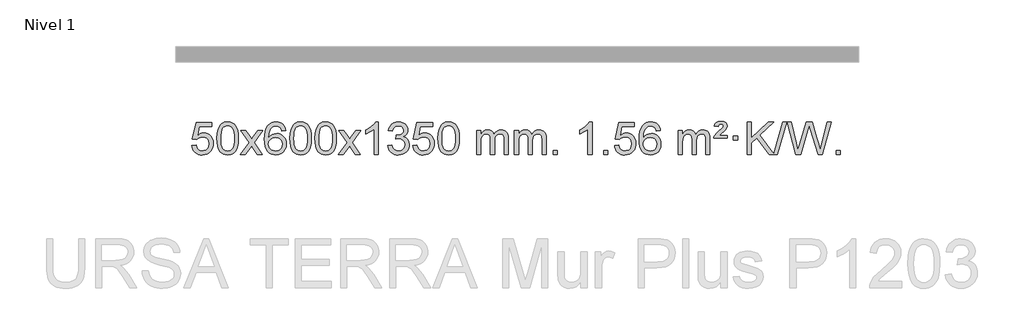
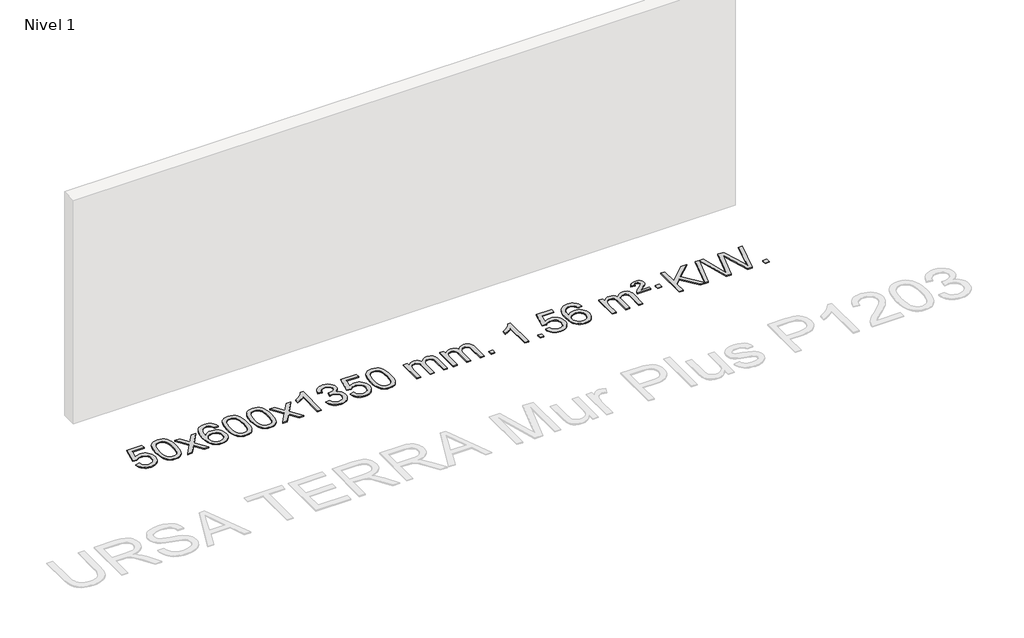
# One storey, part 6 of 7: 1 proxy.
"""IFC4 building model written with IfcOpenShell, lengths in millimetres."""

from ifc_helpers import new_model, si_unit, origin, origin_with_axes, place, context, project, spatial, polyline, outline, extrude, element, save

model = new_model("IFC4")

# Units and contexts
model_context = context("Model", 3, world=origin())
ifc_project = project(units=[si_unit("LENGTHUNIT", "METRE", prefix="MILLI")], contexts=[model_context])

# Site, building, storey
site = spatial("IfcSite", under=ifc_project)
building = spatial("IfcBuilding", under=site)
storey = spatial("IfcBuildingStorey", under=building, Name="Nivel 1", Elevation=0.0)

# Proxy
placement = place(None, origin())
element("IfcBuildingElementProxy", 1, Name="Texto de modelo 1", ObjectType="Texto de modelo 1", at=placement, inside=storey, context=model_context, shape_type="SweptSolid", body=[
    extrude(outline(polyline([(-13279.9741058, -12677.8820273), (-13229.7459508, -12671.603508), (-13220.5243754, -12701.7575688), (-13204.4356695, -12723.3522419), (-13181.5534094, -12736.3384764), (-13151.9511715, -12740.6672212), (-13132.8213078, -12739.1619707), (-13115.9477869, -12734.6462192), (-13101.330609, -12727.1199667), (-13088.969774, -12716.5832132), (-13079.1411933, -12703.5571249), (-13072.1207786, -12688.5628679), (-13066.5044468, -12652.6698479), (-13071.7651593, -12618.8737553), (-13078.34105, -12604.9555532), (-13087.5472969, -12593.0239138), (-13099.4145569, -12583.4528505), (-13113.9734869, -12576.6163768), (-13151.1663566, -12571.1471978), (-13175.5324074, -12573.3299643), (-13195.2631451, -12579.8782638), (-13211.0207572, -12589.9091796), (-13223.4674314, -12602.5397947), (-13273.6955865, -12596.2612753), (-13229.7459508, -12389.0701357), (-13035.1118499, -12389.0701357), (-13035.1118499, -12439.2982907), (-13189.1317785, -12439.2982907), (-13210.616087, -12549.9571949), (-13192.8903062, -12537.2530033), (-13174.7353298, -12528.1785808), (-13156.1511576, -12522.7339272), (-13137.1377899, -12520.9190427), (-13112.6767029, -12523.1692543), (-13090.20831, -12529.9198889), (-13069.7326113, -12541.1709466), (-13051.2496067, -12556.9224273), (-13035.9487814, -12576.2117066), (-13025.0196205, -12598.0761598), (-13018.4621239, -12622.5157871), (-13016.2762917, -12649.5305882), (-13018.2444604, -12675.552108), (-13024.1489664, -12699.7587433), (-13033.9898098, -12722.1504941), (-13047.7669905, -12742.7273604), (-13068.6381624, -12763.8008673), (-13092.9919504, -12778.8533723), (-13120.8283547, -12787.8848753), (-13152.1473753, -12790.8953763), (-13178.0677275, -12788.9609301), (-13201.4803508, -12783.1575916), (-13222.3852452, -12773.4853608), (-13240.7824106, -12759.9442377), (-13256.0893673, -12743.2086726), (-13267.7236354, -12723.9531159), (-13275.6852149, -12702.1775674), (-13279.9741058, -12677.8820273)])), origin_with_axes(), (0.0, 0.0, 1.0), 10.0),
    extrude(outline(polyline([(-12972.326656, -12586.9415981), (-12968.6355733, -12522.6235626), (-12957.5623253, -12471.3285498), (-12939.2172764, -12432.2717446), (-12927.3592135, -12417.0383643), (-12913.7107915, -12404.6683323), (-12898.2260251, -12395.097269), (-12880.8589293, -12388.2607953), (-12840.4777489, -12382.7916163), (-12809.5266104, -12386.0289778), (-12781.8128334, -12395.7410625), (-12758.6362678, -12411.5477256), (-12741.296763, -12433.0688223), (-12728.200164, -12460.1204117), (-12717.7523154, -12492.5185527), (-12710.9097102, -12533.6600225), (-12708.6288419, -12586.9415981), (-12712.2831364, -12650.8917516), (-12723.2460198, -12702.0641372), (-12741.480704, -12741.1577305), (-12753.3111759, -12756.437096), (-12766.9504008, -12768.8715075), (-12782.4535613, -12778.5069501), (-12799.8758394, -12785.3894091), (-12840.4777489, -12790.8953763), (-12868.142475, -12788.5041433), (-12892.6679413, -12781.3304444), (-12914.054148, -12769.3742795), (-12932.3010949, -12752.6356488), (-12949.8122779, -12722.3773547), (-12962.3202657, -12684.6755815), (-12969.8250584, -12639.5303293), (-12972.326656, -12586.9415981)]), holes=[polyline([(-12922.0985009, -12586.8434963), (-12920.626973, -12630.5080234), (-12916.212389, -12665.8522861), (-12908.8547491, -12692.8762843), (-12898.5540532, -12711.5800181), (-12886.0951163, -12724.3056694), (-12872.2627533, -12733.3954204), (-12857.0569642, -12738.849271), (-12840.4777489, -12740.6672212), (-12823.8985337, -12738.8431396), (-12808.6927446, -12733.3708949), (-12794.8603815, -12724.2504871), (-12782.4014446, -12711.4819162), (-12772.1007488, -12692.7475256), (-12764.7431089, -12665.7296588), (-12760.3285249, -12630.4283156), (-12758.8569969, -12586.8434963), (-12760.279474, -12544.3347317), (-12764.5469051, -12509.6128027), (-12771.6592904, -12482.6777093), (-12781.6166297, -12463.5294515), (-12793.8671002, -12450.1814664), (-12807.8588787, -12440.6471914), (-12823.5919654, -12434.9266264), (-12841.0663601, -12433.0197713), (-12857.5597363, -12434.6997658), (-12872.508008, -12439.7397491), (-12885.9111753, -12448.1397213), (-12897.7692383, -12459.8996825), (-12908.4132907, -12480.7463289), (-12916.0161853, -12508.8525133), (-12920.577922, -12544.2182358), (-12922.0985009, -12586.8434963)])]), origin_with_axes(), (0.0, 0.0, 1.0), 10.0),
    extrude(outline(polyline([(-12683.5147643, -12784.6168569), (-12576.1913236, -12636.2868364), (-12677.236245, -12489.5264458), (-12616.8054959, -12489.5264458), (-12568.0488688, -12560.1597889), (-12545.289236, -12593.5144231), (-12525.5707611, -12566.2421045), (-12470.0451053, -12489.5264458), (-12409.6143562, -12489.5264458), (-12515.7605745, -12636.2868364), (-12413.5384308, -12784.6168569), (-12473.9691799, -12784.6168569), (-12535.4790495, -12695.4422612), (-12546.760764, -12679.1573516), (-12623.0840153, -12784.6168569), (-12683.5147643, -12784.6168569)])), origin_with_axes(), (0.0, 0.0, 1.0), 10.0),
    extrude(outline(polyline([(-12124.7265391, -12489.5264458), (-12174.9546942, -12495.8049652), (-12183.0480981, -12470.9116168), (-12193.9864561, -12453.9154687), (-12216.7706143, -12438.2436957), (-12244.312713, -12433.0197713), (-12267.660957, -12436.0609292), (-12289.6357748, -12445.1844027), (-12308.5081212, -12464.4001055), (-12323.9223768, -12490.850821), (-12334.3334372, -12528.2644199), (-12338.1961982, -12580.3687731), (-12318.0485276, -12556.8611137), (-12293.903206, -12540.2941611), (-12267.109134, -12530.4717119), (-12239.0152123, -12527.1975621), (-12214.8821534, -12529.4355109), (-12192.61303, -12536.1493573), (-12172.207842, -12547.3391013), (-12153.6665894, -12563.004743), (-12138.2584652, -12582.2143145), (-12127.2526622, -12604.0358482), (-12120.6491803, -12628.469344), (-12118.4480197, -12655.514802), (-12122.5928236, -12691.4813984), (-12135.027235, -12724.8237699), (-12154.7211845, -12753.1016326), (-12180.6446024, -12773.8747026), (-12211.6202664, -12786.6402078), (-12246.4709541, -12790.8953763), (-12276.4134828, -12788.0749476), (-12303.4558751, -12779.6136617), (-12327.5981311, -12765.5115186), (-12348.8402506, -12745.7685182), (-12366.1582955, -12719.5507947), (-12378.5283276, -12686.0244822), (-12385.9503469, -12645.1895807), (-12388.4243533, -12597.0460903), (-12385.677501, -12543.0716702), (-12377.4369443, -12497.006713), (-12363.7026832, -12458.8512188), (-12344.4747176, -12428.6051874), (-12323.6342026, -12408.56175), (-12299.4704868, -12394.2450091), (-12271.9835704, -12385.6549645), (-12241.1734533, -12382.7916163), (-12218.0398072, -12384.5635812), (-12197.1011903, -12389.879476), (-12178.3576027, -12398.7393008), (-12161.8090442, -12411.1430554), (-12147.9031048, -12426.6738069), (-12137.0873742, -12444.9146225), (-12129.3618523, -12465.8655021), (-12124.7265391, -12489.5264458)]), holes=[polyline([(-12338.1961982, -12654.7299871), (-12335.2899304, -12676.9868478), (-12326.5711271, -12698.2381644), (-12313.0330697, -12716.5096368), (-12295.6690396, -12729.8269651), (-12274.7120286, -12737.9571571), (-12250.3950287, -12740.6672212), (-12217.2488609, -12735.0508894), (-12203.3337244, -12728.0304746), (-12191.1905529, -12718.201894), (-12181.3405125, -12705.9636863), (-12174.3047693, -12691.7143904), (-12168.6761748, -12657.1825337), (-12174.2311929, -12624.036366), (-12181.1749656, -12610.4155351), (-12190.8962473, -12598.7628729), (-12203.0762071, -12589.4278673), (-12217.3960137, -12582.7600061), (-12252.4551679, -12577.4257172), (-12285.5522847, -12582.7600061), (-12313.2292735, -12598.7628729), (-12324.152303, -12610.2622509), (-12331.954467, -12623.4232293), (-12336.6357654, -12638.245808), (-12338.1961982, -12654.7299871)])]), origin_with_axes(), (0.0, 0.0, 1.0), 10.0),
    extrude(outline(polyline([(-12074.4983841, -12586.9415981), (-12070.8073014, -12522.6235626), (-12059.7340533, -12471.3285498), (-12041.3890045, -12432.2717446), (-12029.5309415, -12417.0383643), (-12015.8825195, -12404.6683323), (-12000.3977532, -12395.097269), (-11983.0306573, -12388.2607953), (-11942.649477, -12382.7916163), (-11911.6983385, -12386.0289778), (-11883.9845615, -12395.7410625), (-11860.8079958, -12411.5477256), (-11843.4684911, -12433.0688223), (-11830.3718921, -12460.1204117), (-11819.9240434, -12492.5185527), (-11813.0814383, -12533.6600225), (-11810.8005699, -12586.9415981), (-11814.4548644, -12650.8917516), (-11825.4177479, -12702.0641372), (-11843.6524321, -12741.1577305), (-11855.4829039, -12756.437096), (-11869.1221289, -12768.8715075), (-11884.6252893, -12778.5069501), (-11902.0475674, -12785.3894091), (-11942.649477, -12790.8953763), (-11970.314203, -12788.5041433), (-11994.8396694, -12781.3304444), (-12016.225876, -12769.3742795), (-12034.472823, -12752.6356488), (-12051.9840059, -12722.3773547), (-12064.4919938, -12684.6755815), (-12071.9967865, -12639.5303293), (-12074.4983841, -12586.9415981)]), holes=[polyline([(-12024.270229, -12586.8434963), (-12022.798701, -12630.5080234), (-12018.3841171, -12665.8522861), (-12011.0264772, -12692.8762843), (-12000.7257813, -12711.5800181), (-11988.2668444, -12724.3056694), (-11974.4344814, -12733.3954204), (-11959.2286922, -12738.849271), (-11942.649477, -12740.6672212), (-11926.0702617, -12738.8431396), (-11910.8644726, -12733.3708949), (-11897.0321096, -12724.2504871), (-11884.5731727, -12711.4819162), (-11874.2724768, -12692.7475256), (-11866.9148369, -12665.7296588), (-11862.500253, -12630.4283156), (-11861.028725, -12586.8434963), (-11862.451202, -12544.3347317), (-11866.7186332, -12509.6128027), (-11873.8310184, -12482.6777093), (-11883.7883578, -12463.5294515), (-11896.0388282, -12450.1814664), (-11910.0306067, -12440.6471914), (-11925.7636934, -12434.9266264), (-11943.2380882, -12433.0197713), (-11959.7314643, -12434.6997658), (-11974.679736, -12439.7397491), (-11988.0829034, -12448.1397213), (-11999.9409664, -12459.8996825), (-12010.5850188, -12480.7463289), (-12018.1879133, -12508.8525133), (-12022.7496501, -12544.2182358), (-12024.270229, -12586.8434963)])]), origin_with_axes(), (0.0, 0.0, 1.0), 10.0),
    extrude(outline(polyline([(-11766.8509342, -12586.9415981), (-11763.1598515, -12522.6235626), (-11752.0866035, -12471.3285498), (-11733.7415547, -12432.2717446), (-11721.8834917, -12417.0383643), (-11708.2350697, -12404.6683323), (-11692.7503033, -12395.097269), (-11675.3832075, -12388.2607953), (-11635.0020271, -12382.7916163), (-11604.0508886, -12386.0289778), (-11576.3371117, -12395.7410625), (-11553.160546, -12411.5477256), (-11535.8210412, -12433.0688223), (-11522.7244422, -12460.1204117), (-11512.2765936, -12492.5185527), (-11505.4339884, -12533.6600225), (-11503.1531201, -12586.9415981), (-11506.8074146, -12650.8917516), (-11517.770298, -12702.0641372), (-11536.0049822, -12741.1577305), (-11547.8354541, -12756.437096), (-11561.474679, -12768.8715075), (-11576.9778395, -12778.5069501), (-11594.4001176, -12785.3894091), (-11635.0020271, -12790.8953763), (-11662.6667532, -12788.5041433), (-11687.1922195, -12781.3304444), (-11708.5784262, -12769.3742795), (-11726.8253731, -12752.6356488), (-11744.3365561, -12722.3773547), (-11756.844544, -12684.6755815), (-11764.3493367, -12639.5303293), (-11766.8509342, -12586.9415981)]), holes=[polyline([(-11716.6227791, -12586.8434963), (-11715.1512512, -12630.5080234), (-11710.7366672, -12665.8522861), (-11703.3790273, -12692.8762843), (-11693.0783315, -12711.5800181), (-11680.6193946, -12724.3056694), (-11666.7870315, -12733.3954204), (-11651.5812424, -12738.849271), (-11635.0020271, -12740.6672212), (-11618.4228119, -12738.8431396), (-11603.2170228, -12733.3708949), (-11589.3846597, -12724.2504871), (-11576.9257228, -12711.4819162), (-11566.625027, -12692.7475256), (-11559.2673871, -12665.7296588), (-11554.8528031, -12630.4283156), (-11553.3812752, -12586.8434963), (-11554.8037522, -12544.3347317), (-11559.0711833, -12509.6128027), (-11566.1835686, -12482.6777093), (-11576.1409079, -12463.5294515), (-11588.3913784, -12450.1814664), (-11602.3831569, -12440.6471914), (-11618.1162436, -12434.9266264), (-11635.5906383, -12433.0197713), (-11652.0840145, -12434.6997658), (-11667.0322862, -12439.7397491), (-11680.4354536, -12448.1397213), (-11692.2935165, -12459.8996825), (-11702.9375689, -12480.7463289), (-11710.5404635, -12508.8525133), (-11715.1022002, -12544.2182358), (-11716.6227791, -12586.8434963)])]), origin_with_axes(), (0.0, 0.0, 1.0), 10.0),
    extrude(outline(polyline([(-11478.0390425, -12784.6168569), (-11370.7156018, -12636.2868364), (-11471.7605232, -12489.5264458), (-11411.3297741, -12489.5264458), (-11362.573147, -12560.1597889), (-11339.8135142, -12593.5144231), (-11320.0950393, -12566.2421045), (-11264.5693835, -12489.5264458), (-11204.1386344, -12489.5264458), (-11310.2848527, -12636.2868364), (-11208.062709, -12784.6168569), (-11268.4934581, -12784.6168569), (-11330.0033277, -12695.4422612), (-11341.2850422, -12679.1573516), (-11417.6082935, -12784.6168569), (-11478.0390425, -12784.6168569)])), origin_with_axes(), (0.0, 0.0, 1.0), 10.0),
    extrude(outline(polyline([(-10988.3145306, -12784.6168569), (-11038.5426856, -12784.6168569), (-11038.5426856, -12471.4757026), (-11059.5119594, -12488.4350626), (-11086.1220903, -12505.3698971), (-11138.9989958, -12530.7292293), (-11138.9989958, -12483.2479264), (-11099.5497832, -12461.7881434), (-11065.3735458, -12436.2571329), (-11038.432321, -12409.1074417), (-11020.6881461, -12382.7916163), (-10988.3145306, -12382.7916163), (-10988.3145306, -12784.6168569)])), origin_with_axes(), (0.0, 0.0, 1.0), 10.0),
    extrude(outline(polyline([(-10869.0226623, -12677.8820273), (-10818.7945072, -12671.603508), (-10807.5495809, -12703.1677831), (-10791.0807302, -12724.4804134), (-10768.5786148, -12736.6205192), (-10739.2338944, -12740.6672212), (-10704.8001396, -12735.0999403), (-10690.5263182, -12728.1408392), (-10678.2145341, -12718.3980977), (-10661.2183859, -12693.4802239), (-10655.5530032, -12663.2648494), (-10661.169335, -12634.5823165), (-10678.0183304, -12611.3199117), (-10703.5248154, -12595.9056561), (-10735.113616, -12590.7675709), (-10770.3321857, -12596.2612753), (-10764.7403794, -12546.0331203), (-10756.6960264, -12546.6217315), (-10726.6032792, -12543.0164879), (-10699.6988426, -12532.2007572), (-10688.6255946, -12524.0215142), (-10680.7161317, -12513.9047594), (-10675.9704539, -12501.8504926), (-10674.3885613, -12487.8587141), (-10678.9748235, -12466.1659391), (-10692.7336102, -12448.568917), (-10713.7274094, -12436.9070578), (-10740.0187093, -12433.0197713), (-10766.3590601, -12436.943846), (-10787.8924196, -12448.7160698), (-10803.6132435, -12468.3364429), (-10812.5159878, -12495.8049652), (-10862.7441429, -12489.5264458), (-10856.7905859, -12465.5466711), (-10847.9552867, -12444.4241132), (-10836.2382451, -12426.1587721), (-10821.6394613, -12410.7506479), (-10804.6187876, -12398.5185716), (-10785.6360767, -12389.7813742), (-10764.6913284, -12384.5390557), (-10741.7845429, -12382.7916163), (-10710.2080049, -12386.2374443), (-10681.206641, -12396.5749284), (-10656.754751, -12412.8843635), (-10638.8266351, -12434.2460447), (-10627.8269635, -12458.8573501), (-10624.1604063, -12484.9156581), (-10627.6430225, -12509.1958698), (-10638.0908712, -12531.2197386), (-10655.3567995, -12549.9817203), (-10679.2936546, -12564.476271), (-10647.8520068, -12577.1804625), (-10624.5528137, -12598.8119238), (-10610.1318395, -12628.1934325), (-10605.3248481, -12664.1477662), (-10607.7283438, -12689.6297257), (-10614.9388309, -12713.100597), (-10626.9563094, -12734.5603801), (-10643.7807793, -12754.0090749), (-10664.2779378, -12770.1468317), (-10687.3134821, -12781.6738009), (-10712.8874121, -12788.5899824), (-10740.9997279, -12790.8953763), (-10766.4081111, -12788.9272076), (-10789.5601513, -12783.0227016), (-10810.4558486, -12773.1818582), (-10829.095203, -12759.4046775), (-10844.7240565, -12742.5004998), (-10856.5882508, -12723.2786655), (-10864.6877861, -12701.7391747), (-10869.0226623, -12677.8820273)])), origin_with_axes(), (0.0, 0.0, 1.0), 10.0),
    extrude(outline(polyline([(-10561.3752124, -12677.8820273), (-10511.1470573, -12671.603508), (-10501.925482, -12701.7575688), (-10485.8367761, -12723.3522419), (-10462.954516, -12736.3384764), (-10433.3522781, -12740.6672212), (-10414.2224144, -12739.1619707), (-10397.3488935, -12734.6462192), (-10382.7317156, -12727.1199667), (-10370.3708805, -12716.5832132), (-10360.5422999, -12703.5571249), (-10353.5218851, -12688.5628679), (-10347.9055534, -12652.6698479), (-10353.1662659, -12618.8737553), (-10359.7421566, -12604.9555532), (-10368.9484035, -12593.0239138), (-10380.8156635, -12583.4528505), (-10395.3745935, -12576.6163768), (-10432.5674632, -12571.1471978), (-10456.933514, -12573.3299643), (-10476.6642517, -12579.8782638), (-10492.4218638, -12589.9091796), (-10504.868538, -12602.5397947), (-10555.096693, -12596.2612753), (-10511.1470573, -12389.0701357), (-10316.5129564, -12389.0701357), (-10316.5129564, -12439.2982907), (-10470.5328851, -12439.2982907), (-10492.0171936, -12549.9571949), (-10474.2914128, -12537.2530033), (-10456.1364363, -12528.1785808), (-10437.5522642, -12522.7339272), (-10418.5388964, -12520.9190427), (-10394.0778094, -12523.1692543), (-10371.6094166, -12529.9198889), (-10351.1337179, -12541.1709466), (-10332.6507133, -12556.9224273), (-10317.349888, -12576.2117066), (-10306.420727, -12598.0761598), (-10299.8632305, -12622.5157871), (-10297.6773983, -12649.5305882), (-10299.645567, -12675.552108), (-10305.550073, -12699.7587433), (-10315.3909163, -12722.1504941), (-10329.1680971, -12742.7273604), (-10350.0392689, -12763.8008673), (-10374.393057, -12778.8533723), (-10402.2294613, -12787.8848753), (-10433.5484818, -12790.8953763), (-10459.4688341, -12788.9609301), (-10482.8814574, -12783.1575916), (-10503.7863518, -12773.4853608), (-10522.1835172, -12759.9442377), (-10537.4904739, -12743.2086726), (-10549.124742, -12723.9531159), (-10557.0863215, -12702.1775674), (-10561.3752124, -12677.8820273)])), origin_with_axes(), (0.0, 0.0, 1.0), 10.0),
    extrude(outline(polyline([(-10253.7277626, -12586.9415981), (-10250.0366799, -12522.6235626), (-10238.9634319, -12471.3285498), (-10220.618383, -12432.2717446), (-10208.76032, -12417.0383643), (-10195.111898, -12404.6683323), (-10179.6271317, -12395.097269), (-10162.2600359, -12388.2607953), (-10121.8788555, -12382.7916163), (-10090.927717, -12386.0289778), (-10063.21394, -12395.7410625), (-10040.0373743, -12411.5477256), (-10022.6978696, -12433.0688223), (-10009.6012706, -12460.1204117), (-9999.1534219, -12492.5185527), (-9992.3108168, -12533.6600225), (-9990.0299484, -12586.9415981), (-9993.6842429, -12650.8917516), (-10004.6471264, -12702.0641372), (-10022.8818106, -12741.1577305), (-10034.7122824, -12756.437096), (-10048.3515074, -12768.8715075), (-10063.8546678, -12778.5069501), (-10081.276946, -12785.3894091), (-10121.8788555, -12790.8953763), (-10149.5435816, -12788.5041433), (-10174.0690479, -12781.3304444), (-10195.4552546, -12769.3742795), (-10213.7022015, -12752.6356488), (-10231.2133845, -12722.3773547), (-10243.7213723, -12684.6755815), (-10251.226165, -12639.5303293), (-10253.7277626, -12586.9415981)]), holes=[polyline([(-10203.4996075, -12586.8434963), (-10202.0280795, -12630.5080234), (-10197.6134956, -12665.8522861), (-10190.2558557, -12692.8762843), (-10179.9551598, -12711.5800181), (-10167.4962229, -12724.3056694), (-10153.6638599, -12733.3954204), (-10138.4580708, -12738.849271), (-10121.8788555, -12740.6672212), (-10105.2996403, -12738.8431396), (-10090.0938511, -12733.3708949), (-10076.2614881, -12724.2504871), (-10063.8025512, -12711.4819162), (-10053.5018553, -12692.7475256), (-10046.1442154, -12665.7296588), (-10041.7296315, -12630.4283156), (-10040.2581035, -12586.8434963), (-10041.6805806, -12544.3347317), (-10045.9480117, -12509.6128027), (-10053.060397, -12482.6777093), (-10063.0177363, -12463.5294515), (-10075.2682067, -12450.1814664), (-10089.2599853, -12440.6471914), (-10104.9930719, -12434.9266264), (-10122.4674667, -12433.0197713), (-10138.9608428, -12434.6997658), (-10153.9091146, -12439.7397491), (-10167.3122819, -12448.1397213), (-10179.1703449, -12459.8996825), (-10189.8143973, -12480.7463289), (-10197.4172919, -12508.8525133), (-10201.9790286, -12544.2182358), (-10203.4996075, -12586.8434963)])]), origin_with_axes(), (0.0, 0.0, 1.0), 10.0),
    extrude(outline(polyline([(-9776.5602894, -12784.6168569), (-9776.5602894, -12489.5264458), (-9726.3321343, -12489.5264458), (-9726.3321343, -12538.0868692), (-9711.224447, -12515.7809575), (-9691.8002777, -12498.3065628), (-9668.7218139, -12487.0125855), (-9642.6512431, -12483.2479264), (-9614.716737, -12487.0861619), (-9592.3249862, -12498.6008684), (-9575.5986181, -12517.0317563), (-9564.6602602, -12541.6185363), (-9546.3519995, -12516.0813945), (-9525.4685649, -12497.8405789), (-9502.0099564, -12486.8960895), (-9475.9761739, -12483.2479264), (-9455.8683571, -12484.7654397), (-9438.2192184, -12489.3179793), (-9423.0287577, -12496.9055455), (-9410.296975, -12507.5281381), (-9400.2323367, -12521.3083845), (-9393.0433094, -12538.368912), (-9388.729893, -12558.7097207), (-9387.2920876, -12582.3308105), (-9387.2920876, -12784.6168569), (-9437.5202426, -12784.6168569), (-9437.5202426, -12603.9132208), (-9438.6852023, -12578.860457), (-9442.1800812, -12561.9746734), (-9448.7283807, -12550.410916), (-9459.0536021, -12541.3242307), (-9472.3341421, -12535.4381188), (-9487.7483977, -12533.4760815), (-9514.9594026, -12538.5038021), (-9537.1426869, -12553.5869639), (-9545.7480599, -12565.1568526), (-9551.8947549, -12579.7556365), (-9556.8121109, -12618.0398895), (-9556.8121109, -12784.6168569), (-9607.040266, -12784.6168569), (-9607.040266, -12598.3214145), (-9609.9465338, -12569.9209245), (-9618.6653371, -12549.6628893), (-9634.0060162, -12537.5227834), (-9656.7779118, -12533.4760815), (-9676.1285047, -12536.1738828), (-9693.9585187, -12544.2672867), (-9708.6737985, -12557.5600894), (-9718.6801888, -12575.8560873), (-9724.4191479, -12601.239945), (-9726.3321343, -12635.7963271), (-9726.3321343, -12784.6168569), (-9776.5602894, -12784.6168569)])), origin_with_axes(), (0.0, 0.0, 1.0), 10.0),
    extrude(outline(polyline([(-9311.9498549, -12784.6168569), (-9311.9498549, -12489.5264458), (-9261.7216999, -12489.5264458), (-9261.7216999, -12538.0868692), (-9246.6140126, -12515.7809575), (-9227.1898433, -12498.3065628), (-9204.1113794, -12487.0125855), (-9178.0408087, -12483.2479264), (-9150.1063025, -12487.0861619), (-9127.7145518, -12498.6008684), (-9110.9881837, -12517.0317563), (-9100.0498257, -12541.6185363), (-9081.7415651, -12516.0813945), (-9060.8581305, -12497.8405789), (-9037.3995219, -12486.8960895), (-9011.3657394, -12483.2479264), (-8991.2579227, -12484.7654397), (-8973.608784, -12489.3179793), (-8958.4183233, -12496.9055455), (-8945.6865405, -12507.5281381), (-8935.6219023, -12521.3083845), (-8928.432875, -12538.368912), (-8924.1194586, -12558.7097207), (-8922.6816531, -12582.3308105), (-8922.6816531, -12784.6168569), (-8972.9098082, -12784.6168569), (-8972.9098082, -12603.9132208), (-8974.0747678, -12578.860457), (-8977.5696468, -12561.9746734), (-8984.1179463, -12550.410916), (-8994.4431676, -12541.3242307), (-9007.7237077, -12535.4381188), (-9023.1379633, -12533.4760815), (-9050.3489682, -12538.5038021), (-9072.5322525, -12553.5869639), (-9081.1376255, -12565.1568526), (-9087.2843205, -12579.7556365), (-9092.2016765, -12618.0398895), (-9092.2016765, -12784.6168569), (-9142.4298316, -12784.6168569), (-9142.4298316, -12598.3214145), (-9145.3360993, -12569.9209245), (-9154.0549026, -12549.6628893), (-9169.3955818, -12537.5227834), (-9192.1674773, -12533.4760815), (-9211.5180703, -12536.1738828), (-9229.3480843, -12544.2672867), (-9244.0633641, -12557.5600894), (-9254.0697544, -12575.8560873), (-9259.8087135, -12601.239945), (-9261.7216999, -12635.7963271), (-9261.7216999, -12784.6168569), (-9311.9498549, -12784.6168569)])), origin_with_axes(), (0.0, 0.0, 1.0), 10.0),
    extrude(outline(polyline([(-8834.7823817, -12784.6168569), (-8834.7823817, -12734.3887018), (-8784.5542267, -12734.3887018), (-8784.5542267, -12784.6168569), (-8834.7823817, -12784.6168569)])), origin_with_axes(), (0.0, 0.0, 1.0), 10.0),
    extrude(outline(polyline([(-8357.6149085, -12784.6168569), (-8407.8430636, -12784.6168569), (-8407.8430636, -12471.4757026), (-8428.8123373, -12488.4350626), (-8455.4224683, -12505.3698971), (-8508.2993737, -12530.7292293), (-8508.2993737, -12483.2479264), (-8468.8501611, -12461.7881434), (-8434.6739238, -12436.2571329), (-8407.732699, -12409.1074417), (-8389.9885241, -12382.7916163), (-8357.6149085, -12382.7916163), (-8357.6149085, -12784.6168569)])), origin_with_axes(), (0.0, 0.0, 1.0), 10.0),
    extrude(outline(polyline([(-8213.2089627, -12784.6168569), (-8213.2089627, -12734.3887018), (-8162.9808076, -12734.3887018), (-8162.9808076, -12784.6168569), (-8213.2089627, -12784.6168569)])), origin_with_axes(), (0.0, 0.0, 1.0), 10.0),
    extrude(outline(polyline([(-8081.3600556, -12677.8820273), (-8031.1319005, -12671.603508), (-8021.9103252, -12701.7575688), (-8005.8216193, -12723.3522419), (-7982.9393592, -12736.3384764), (-7953.3371213, -12740.6672212), (-7934.2072575, -12739.1619707), (-7917.3337367, -12734.6462192), (-7902.7165587, -12727.1199667), (-7890.3557237, -12716.5832132), (-7880.5271431, -12703.5571249), (-7873.5067283, -12688.5628679), (-7867.8903965, -12652.6698479), (-7873.1511091, -12618.8737553), (-7879.7269997, -12604.9555532), (-7888.9332467, -12593.0239138), (-7900.8005067, -12583.4528505), (-7915.3594366, -12576.6163768), (-7952.5523064, -12571.1471978), (-7976.9183572, -12573.3299643), (-7996.6490948, -12579.8782638), (-8012.406707, -12589.9091796), (-8024.8533811, -12602.5397947), (-8075.0815362, -12596.2612753), (-8031.1319005, -12389.0701357), (-7836.4977996, -12389.0701357), (-7836.4977996, -12439.2982907), (-7990.5177283, -12439.2982907), (-8012.0020368, -12549.9571949), (-7994.276256, -12537.2530033), (-7976.1212795, -12528.1785808), (-7957.5371074, -12522.7339272), (-7938.5237396, -12520.9190427), (-7914.0626526, -12523.1692543), (-7891.5942598, -12529.9198889), (-7871.118561, -12541.1709466), (-7852.6355565, -12556.9224273), (-7837.3347312, -12576.2117066), (-7826.4055702, -12598.0761598), (-7819.8480737, -12622.5157871), (-7817.6622415, -12649.5305882), (-7819.6304101, -12675.552108), (-7825.5349162, -12699.7587433), (-7835.3757595, -12722.1504941), (-7849.1529403, -12742.7273604), (-7870.0241121, -12763.8008673), (-7894.3779002, -12778.8533723), (-7922.2143045, -12787.8848753), (-7953.533325, -12790.8953763), (-7979.4536773, -12788.9609301), (-8002.8663006, -12783.1575916), (-8023.7711949, -12773.4853608), (-8042.1683604, -12759.9442377), (-8057.4753171, -12743.2086726), (-8069.1095852, -12723.9531159), (-8077.0711647, -12702.1775674), (-8081.3600556, -12677.8820273)])), origin_with_axes(), (0.0, 0.0, 1.0), 10.0),
    extrude(outline(polyline([(-7516.293311, -12489.5264458), (-7566.5214661, -12495.8049652), (-7574.61487, -12470.9116168), (-7585.553228, -12453.9154687), (-7608.3373862, -12438.2436957), (-7635.8794849, -12433.0197713), (-7659.2277289, -12436.0609292), (-7681.2025467, -12445.1844027), (-7700.0748931, -12464.4001055), (-7715.4891487, -12490.850821), (-7725.9002091, -12528.2644199), (-7729.7629701, -12580.3687731), (-7709.6152995, -12556.8611137), (-7685.4699779, -12540.2941611), (-7658.6759059, -12530.4717119), (-7630.5819842, -12527.1975621), (-7606.4489253, -12529.4355109), (-7584.1798019, -12536.1493573), (-7563.7746139, -12547.3391013), (-7545.2333613, -12563.004743), (-7529.8252371, -12582.2143145), (-7518.819434, -12604.0358482), (-7512.2159522, -12628.469344), (-7510.0147916, -12655.514802), (-7514.1595954, -12691.4813984), (-7526.5940069, -12724.8237699), (-7546.2879564, -12753.1016326), (-7572.2113743, -12773.8747026), (-7603.1870383, -12786.6402078), (-7638.037726, -12790.8953763), (-7667.9802547, -12788.0749476), (-7695.022647, -12779.6136617), (-7719.1649029, -12765.5115186), (-7740.4070225, -12745.7685182), (-7757.7250674, -12719.5507947), (-7770.0950995, -12686.0244822), (-7777.5171187, -12645.1895807), (-7779.9911252, -12597.0460903), (-7777.2442729, -12543.0716702), (-7769.0037162, -12497.006713), (-7755.2694551, -12458.8512188), (-7736.0414895, -12428.6051874), (-7715.2009744, -12408.56175), (-7691.0372587, -12394.2450091), (-7663.5503423, -12385.6549645), (-7632.7402252, -12382.7916163), (-7609.6065791, -12384.5635812), (-7588.6679622, -12389.879476), (-7569.9243745, -12398.7393008), (-7553.3758161, -12411.1430554), (-7539.4698767, -12426.6738069), (-7528.6541461, -12444.9146225), (-7520.9286242, -12465.8655021), (-7516.293311, -12489.5264458)]), holes=[polyline([(-7729.7629701, -12654.7299871), (-7726.8567023, -12676.9868478), (-7718.137899, -12698.2381644), (-7704.5998416, -12716.5096368), (-7687.2358114, -12729.8269651), (-7666.2788004, -12737.9571571), (-7641.9618006, -12740.6672212), (-7608.8156328, -12735.0508894), (-7594.9004963, -12728.0304746), (-7582.7573248, -12718.201894), (-7572.9072844, -12705.9636863), (-7565.8715412, -12691.7143904), (-7560.2429467, -12657.1825337), (-7565.7979648, -12624.036366), (-7572.7417375, -12610.4155351), (-7582.4630192, -12598.7628729), (-7594.6429789, -12589.4278673), (-7608.9627856, -12582.7600061), (-7644.0219397, -12577.4257172), (-7677.1190566, -12582.7600061), (-7704.7960453, -12598.7628729), (-7715.7190749, -12610.2622509), (-7723.5212389, -12623.4232293), (-7728.2025373, -12638.245808), (-7729.7629701, -12654.7299871)])]), origin_with_axes(), (0.0, 0.0, 1.0), 10.0),
    extrude(outline(polyline([(-7296.5451326, -12784.6168569), (-7296.5451326, -12489.5264458), (-7246.3169775, -12489.5264458), (-7246.3169775, -12538.0868692), (-7231.2092902, -12515.7809575), (-7211.7851209, -12498.3065628), (-7188.706657, -12487.0125855), (-7162.6360863, -12483.2479264), (-7134.7015802, -12487.0861619), (-7112.3098294, -12498.6008684), (-7095.5834613, -12517.0317563), (-7084.6451033, -12541.6185363), (-7066.3368427, -12516.0813945), (-7045.4534081, -12497.8405789), (-7021.9947996, -12486.8960895), (-6995.961017, -12483.2479264), (-6975.8532003, -12484.7654397), (-6958.2040616, -12489.3179793), (-6943.0136009, -12496.9055455), (-6930.2818182, -12507.5281381), (-6920.2171799, -12521.3083845), (-6913.0281526, -12538.368912), (-6908.7147362, -12558.7097207), (-6907.2769307, -12582.3308105), (-6907.2769307, -12784.6168569), (-6957.5050858, -12784.6168569), (-6957.5050858, -12603.9132208), (-6958.6700455, -12578.860457), (-6962.1649244, -12561.9746734), (-6968.7132239, -12550.410916), (-6979.0384453, -12541.3242307), (-6992.3189853, -12535.4381188), (-7007.7332409, -12533.4760815), (-7034.9442458, -12538.5038021), (-7057.1275301, -12553.5869639), (-7065.7329031, -12565.1568526), (-7071.8795981, -12579.7556365), (-7076.7969541, -12618.0398895), (-7076.7969541, -12784.6168569), (-7127.0251092, -12784.6168569), (-7127.0251092, -12598.3214145), (-7129.9313769, -12569.9209245), (-7138.6501802, -12549.6628893), (-7153.9908594, -12537.5227834), (-7176.7627549, -12533.4760815), (-7196.1133479, -12536.1738828), (-7213.9433619, -12544.2672867), (-7228.6586417, -12557.5600894), (-7238.665032, -12575.8560873), (-7244.4039911, -12601.239945), (-7246.3169775, -12635.7963271), (-7246.3169775, -12784.6168569), (-7296.5451326, -12784.6168569)])), origin_with_axes(), (0.0, 0.0, 1.0), 10.0),
    extrude(outline(polyline([(-6863.327295, -12583.7042366), (-6859.5013223, -12567.8853108), (-6851.1626637, -12552.0173341), (-6829.6538298, -12526.878731), (-6797.6971471, -12499.1404286), (-6753.5513077, -12461.7636179), (-6746.414397, -12450.2366487), (-6744.0354267, -12438.4153739), (-6745.9238876, -12426.324319), (-6751.5892704, -12416.538658), (-6760.9579985, -12410.0639348), (-6773.9564957, -12407.9056938), (-6786.3909071, -12409.5243746), (-6795.2446005, -12414.3804169), (-6801.6702727, -12423.8472469), (-6806.8206206, -12439.2982907), (-6857.0487757, -12433.0197713), (-6846.2085195, -12407.8075919), (-6829.5802534, -12390.247358), (-6805.8150765, -12379.9466622), (-6773.5640882, -12376.5130969), (-6737.7814328, -12380.645638), (-6713.0352373, -12393.0432612), (-6698.6142631, -12411.3760473), (-6693.8072717, -12433.3140769), (-6697.9030245, -12456.2208625), (-6710.1902832, -12477.8523238), (-6730.7180985, -12497.6689006), (-6767.187467, -12525.7260341), (-6792.7920538, -12552.3116396), (-6693.8072717, -12552.3116396), (-6693.8072717, -12583.7042366), (-6863.327295, -12583.7042366)])), origin_with_axes(), (0.0, 0.0, 1.0), 10.0),
    extrude(outline(polyline([(-6618.4650391, -12608.8183141), (-6618.4650391, -12558.590159), (-6568.236884, -12558.590159), (-6568.236884, -12608.8183141), (-6618.4650391, -12608.8183141)])), origin_with_axes(), (0.0, 0.0, 1.0), 10.0),
    extrude(outline(polyline([(-6177.595256, -12784.6168569), (-6331.0265735, -12581.938403), (-6398.7168606, -12646.4894304), (-6398.7168606, -12784.6168569), (-6448.9450157, -12784.6168569), (-6448.9450157, -12382.7916163), (-6398.7168606, -12382.7916163), (-6398.7168606, -12579.4858564), (-6192.7029433, -12382.7916163), (-6122.4620077, -12382.7916163), (-6295.4155964, -12547.9951576), (-6120.7619865, -12778.5723371), (-6009.4486588, -12382.7916163), (-5964.125597, -12382.7916163), (-6077.1389459, -12784.6168569), (-6116.1834883, -12784.6168569), (-6122.4620077, -12784.6168569), (-6177.595256, -12784.6168569)])), origin_with_axes(), (0.0, 0.0, 1.0), 10.0),
    extrude(outline(polyline([(-5849.6407201, -12784.6168569), (-5959.2205037, -12382.7916163), (-5907.4227188, -12382.7916163), (-5843.85271, -12646.8818379), (-5824.2323369, -12728.404488), (-5803.2385377, -12656.299617), (-5723.5798231, -12382.7916163), (-5648.9243035, -12382.7916163), (-5591.0442029, -12581.0554862), (-5566.2489564, -12654.6318852), (-5547.977484, -12728.404488), (-5528.9457221, -12649.2362826), (-5464.7871022, -12382.7916163), (-5412.9893173, -12382.7916163), (-5522.6672028, -12784.6168569), (-5576.3289231, -12784.6168569), (-5672.6649549, -12474.6149623), (-5686.1049105, -12431.3520396), (-5701.2125977, -12483.4441302), (-5789.0137673, -12784.6168569), (-5849.6407201, -12784.6168569)])), origin_with_axes(), (0.0, 0.0, 1.0), 10.0),
    extrude(outline(polyline([(-5356.4826428, -12784.6168569), (-5356.4826428, -12734.3887018), (-5306.2544877, -12734.3887018), (-5306.2544877, -12784.6168569), (-5356.4826428, -12784.6168569)])), origin_with_axes(), (0.0, 0.0, 1.0), 10.0),
])

save(model, "model.ifc")
